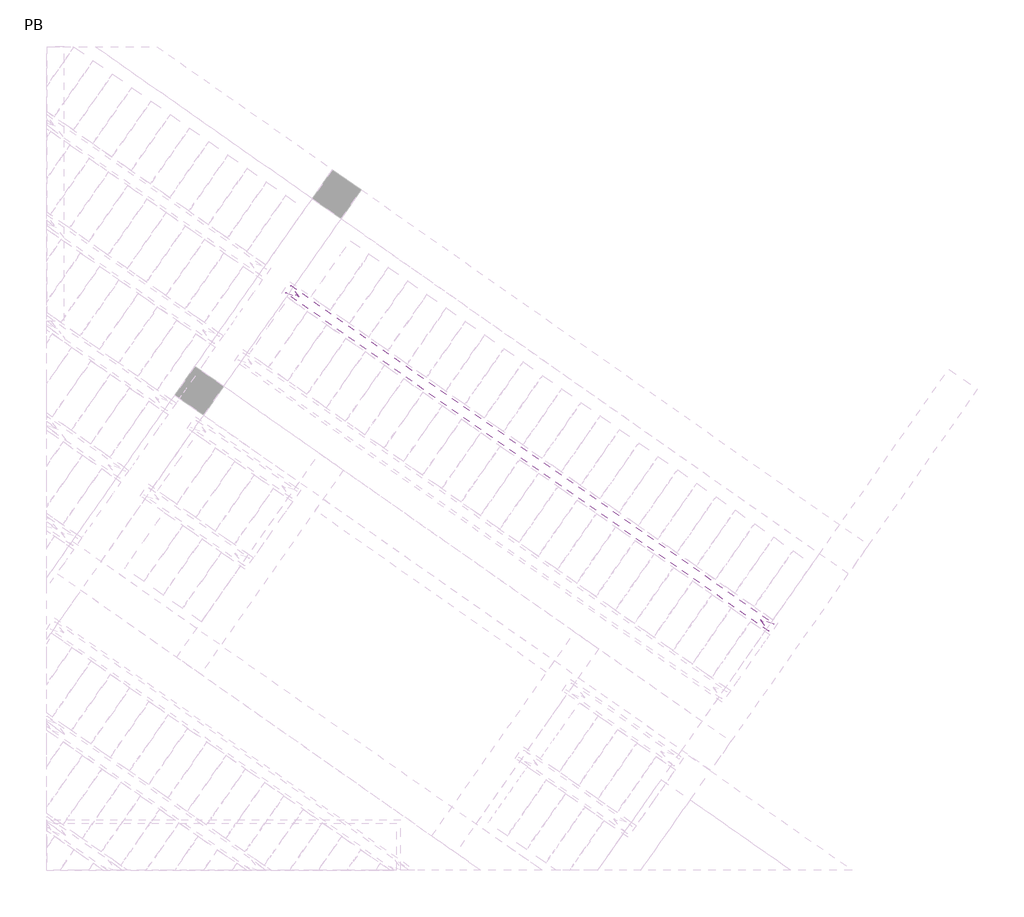
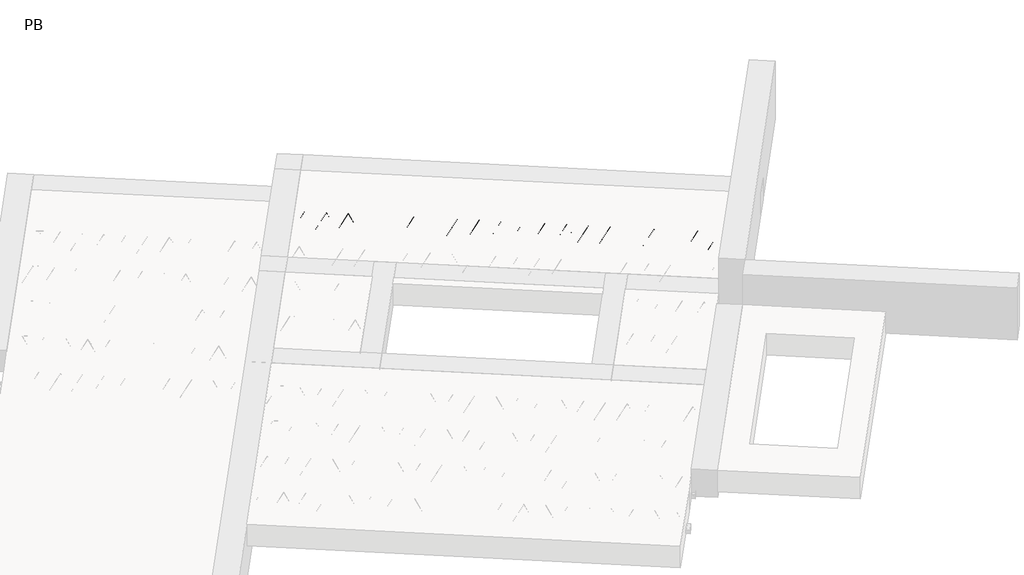
# One storey, part 46 of 56: 2 beams.
"""IFC4 building model written with IfcOpenShell, lengths in millimetres."""

from ifc_helpers import new_model, si_unit, point, frame, origin, origin_2d, place, context, project, spatial, polyline, circle_curve, trimmed, segment, composite_curve, outline, extrude, element, save

model = new_model("IFC4")

# Units and contexts
model_context = context("Model", 3, world=origin())
ifc_project = project(units=[si_unit("LENGTHUNIT", "METRE", prefix="MILLI")], contexts=[model_context])

# Site, building, storey
site = spatial("IfcSite", under=ifc_project)
building = spatial("IfcBuilding", under=site)
storey = spatial("IfcBuildingStorey", under=building, Name="PB", Elevation=95940.0)

# Beams
placement = place(None, origin())
element("IfcBeam", 1, at=placement, inside=storey, context=model_context, shape_type="SweptSolid", body=[
    extrude(outline(polyline([(6531.7713739, 8354.7518462), (6600.6005463, 8453.0500916), (10750.0594894, 5547.5676599), (10681.230317, 5449.2694146), (6531.7713739, 8354.7518462)])), frame((0.0, 0.0, 99220.0), z_axis=(0.0, 0.0, 1.0), x_axis=(1.0, 0.0, 0.0)), (0.0, 0.0, 1.0), 50.0),
])
element("IfcBeam", 2, at=placement, inside=storey, context=model_context, shape_type="SweptSolid", body=[
    extrude(outline(composite_curve([segment(trimmed(circle_curve(origin_2d(), 2.5), [point((-2.4999999, 0.0))], [point((2.5, 0.0))], False, "CARTESIAN"), True, "CONTINUOUS"), segment(trimmed(circle_curve(origin_2d(), 2.5), [point((2.5, 0.0))], [point((-2.4999999, 0.0))], False, "CARTESIAN"), True, "CONTINUOUS")], self_intersect=False)), frame((10675.3365024, 5482.6948981, 99245.0), z_axis=(-0.8191520442696126, 0.5735764363787226, 0.0), x_axis=(0.5735764363787226, 0.8191520442696126, 0.0)), (0.0, 0.0, 1.0), 5017.554035),
    extrude(outline(composite_curve([segment(trimmed(circle_curve(origin_2d(), 2.5), [point((-2.5, 0.0))], [point((2.5, 0.0))], False, "CARTESIAN"), True, "CONTINUOUS"), segment(trimmed(circle_curve(origin_2d(), 2.5), [point((2.5, 0.0))], [point((-2.5, 0.0))], False, "CARTESIAN"), True, "CONTINUOUS")], self_intersect=False)), frame((10627.3591391, 5560.2368948, 99470.0), z_axis=(-0.8191520442696126, 0.5735764363787226, 0.0), x_axis=(0.5735764363787226, 0.8191520442696126, 0.0)), (0.0, 0.0, 1.0), 4850.0),
    extrude(outline(composite_curve([segment(trimmed(circle_curve(origin_2d(), 2.5), [point((-2.5, -1e-07))], [point((2.5, 0.0))], False, "CARTESIAN"), True, "CONTINUOUS"), segment(trimmed(circle_curve(origin_2d(), 2.5), [point((2.5, 0.0))], [point((-2.5, -1e-07))], False, "CARTESIAN"), True, "CONTINUOUS")], self_intersect=False)), frame((10668.1467907, 5487.7291885, 99245.0), z_axis=(-0.3145304735701046, 0.38933448886848654, 0.8657304643902053), x_axis=(0.7778747638402499, 0.6284193279813057, 0.0)), (0.0, 0.0, 1.0), 259.8961331),
    extrude(outline(composite_curve([segment(trimmed(circle_curve(origin_2d(), 2.5), [point((2.5000001, 0.0))], [point((-2.5, 0.0))], False, "CARTESIAN"), True, "CONTINUOUS"), segment(trimmed(circle_curve(origin_2d(), 2.5), [point((-2.5, 0.0))], [point((2.5000001, 0.0))], False, "CARTESIAN"), True, "CONTINUOUS")], self_intersect=False)), frame((10463.3587796, 5631.1232976, 99245.0), z_axis=(0.47343050384693375, -0.16240172737369005, 0.8657304643902051), x_axis=(-0.3244721671091268, -0.9458952440791246, 0.0)), (0.0, 0.0, 1.0), 259.8961331),
    extrude(outline(composite_curve([segment(trimmed(circle_curve(origin_2d(), 2.5), [point((-2.5, -1e-07))], [point((2.5, 0.0))], False, "CARTESIAN"), True, "CONTINUOUS"), segment(trimmed(circle_curve(origin_2d(), 2.5), [point((2.5, 0.0))], [point((-2.5, -1e-07))], False, "CARTESIAN"), True, "CONTINUOUS")], self_intersect=False)), frame((10463.3587796, 5631.1232976, 99245.0), z_axis=(-0.3145304735701046, 0.38933448886848654, 0.8657304643902053), x_axis=(0.7778747638402499, 0.6284193279813057, 0.0)), (0.0, 0.0, 1.0), 259.8961331),
    extrude(outline(composite_curve([segment(trimmed(circle_curve(origin_2d(), 2.5), [point((2.5000001, 0.0))], [point((-2.5, 0.0))], False, "CARTESIAN"), True, "CONTINUOUS"), segment(trimmed(circle_curve(origin_2d(), 2.5), [point((-2.5, 0.0))], [point((2.5000001, 0.0))], False, "CARTESIAN"), True, "CONTINUOUS")], self_intersect=False)), frame((10258.5707686, 5774.5174067, 99245.0), z_axis=(0.47343050384693375, -0.16240172737369005, 0.8657304643902051), x_axis=(-0.3244721671091268, -0.9458952440791246, 0.0)), (0.0, 0.0, 1.0), 259.8961331),
    extrude(outline(composite_curve([segment(trimmed(circle_curve(origin_2d(), 2.5), [point((-2.5, -1e-07))], [point((2.5, 0.0))], False, "CARTESIAN"), True, "CONTINUOUS"), segment(trimmed(circle_curve(origin_2d(), 2.5), [point((2.5, 0.0))], [point((-2.5, -1e-07))], False, "CARTESIAN"), True, "CONTINUOUS")], self_intersect=False)), frame((10258.5707686, 5774.5174067, 99245.0), z_axis=(-0.3145304735701046, 0.38933448886848654, 0.8657304643902053), x_axis=(0.7778747638402499, 0.6284193279813057, 0.0)), (0.0, 0.0, 1.0), 259.8961331),
    extrude(outline(composite_curve([segment(trimmed(circle_curve(origin_2d(), 2.5), [point((2.5, 0.0))], [point((-2.5000001, 0.0))], False, "CARTESIAN"), True, "CONTINUOUS"), segment(trimmed(circle_curve(origin_2d(), 2.5), [point((-2.5000001, 0.0))], [point((2.5, 0.0))], False, "CARTESIAN"), True, "CONTINUOUS")], self_intersect=False)), frame((10053.7827575, 5917.9115157, 99245.0), z_axis=(0.47343050384693375, -0.16240172737369005, 0.8657304643902051), x_axis=(-0.3244721671091268, -0.9458952440791246, 0.0)), (0.0, 0.0, 1.0), 259.8961331),
    extrude(outline(composite_curve([segment(trimmed(circle_curve(origin_2d(), 2.5), [point((-2.5, 0.0))], [point((2.5, 1e-07))], False, "CARTESIAN"), True, "CONTINUOUS"), segment(trimmed(circle_curve(origin_2d(), 2.5), [point((2.5, 1e-07))], [point((-2.5, 0.0))], False, "CARTESIAN"), True, "CONTINUOUS")], self_intersect=False)), frame((10053.7827575, 5917.9115157, 99245.0), z_axis=(-0.3145304735701046, 0.38933448886848654, 0.8657304643902053), x_axis=(0.7778747638402499, 0.6284193279813057, 0.0)), (0.0, 0.0, 1.0), 259.8961331),
    extrude(outline(composite_curve([segment(trimmed(circle_curve(origin_2d(), 2.5), [point((2.5, 0.0))], [point((-2.5000001, 0.0))], False, "CARTESIAN"), True, "CONTINUOUS"), segment(trimmed(circle_curve(origin_2d(), 2.5), [point((-2.5000001, 0.0))], [point((2.5, 0.0))], False, "CARTESIAN"), True, "CONTINUOUS")], self_intersect=False)), frame((9848.9947464, 6061.3056248, 99245.0), z_axis=(0.47343050384693375, -0.16240172737369005, 0.8657304643902051), x_axis=(-0.3244721671091268, -0.9458952440791246, 0.0)), (0.0, 0.0, 1.0), 259.8961331),
    extrude(outline(composite_curve([segment(trimmed(circle_curve(origin_2d(), 2.5), [point((-2.5000001, 1e-07))], [point((2.5, 0.0))], False, "CARTESIAN"), True, "CONTINUOUS"), segment(trimmed(circle_curve(origin_2d(), 2.5), [point((2.5, 0.0))], [point((-2.5000001, 1e-07))], False, "CARTESIAN"), True, "CONTINUOUS")], self_intersect=False)), frame((9848.9947468, 6061.3056246, 99245.0), z_axis=(-0.3145304735701046, 0.38933448886848654, 0.8657304643902053), x_axis=(0.7778747638402499, 0.6284193279813057, 0.0)), (0.0, 0.0, 1.0), 259.8961331),
    extrude(outline(composite_curve([segment(trimmed(circle_curve(origin_2d(), 2.5), [point((2.5, 0.0))], [point((-2.5, 0.0))], False, "CARTESIAN"), True, "CONTINUOUS"), segment(trimmed(circle_curve(origin_2d(), 2.5), [point((-2.5, 0.0))], [point((2.5, 0.0))], False, "CARTESIAN"), True, "CONTINUOUS")], self_intersect=False)), frame((9644.2067357, 6204.6997337, 99245.0), z_axis=(0.47343050384693375, -0.16240172737369005, 0.8657304643902051), x_axis=(-0.3244721671091268, -0.9458952440791246, 0.0)), (0.0, 0.0, 1.0), 259.8961331),
    extrude(outline(composite_curve([segment(trimmed(circle_curve(origin_2d(), 2.5), [point((-2.5, 0.0))], [point((2.5, 0.0))], False, "CARTESIAN"), True, "CONTINUOUS"), segment(trimmed(circle_curve(origin_2d(), 2.5), [point((2.5, 0.0))], [point((-2.5, 0.0))], False, "CARTESIAN"), True, "CONTINUOUS")], self_intersect=False)), frame((9644.2067357, 6204.6997337, 99245.0), z_axis=(-0.3145304735701046, 0.38933448886848654, 0.8657304643902053), x_axis=(0.7778747638402499, 0.6284193279813057, 0.0)), (0.0, 0.0, 1.0), 259.8961331),
    extrude(outline(composite_curve([segment(trimmed(circle_curve(origin_2d(), 2.5), [point((2.5, 0.0))], [point((-2.5, 0.0))], False, "CARTESIAN"), True, "CONTINUOUS"), segment(trimmed(circle_curve(origin_2d(), 2.5), [point((-2.5, 0.0))], [point((2.5, 0.0))], False, "CARTESIAN"), True, "CONTINUOUS")], self_intersect=False)), frame((9439.4187246, 6348.0938428, 99245.0), z_axis=(0.47343050384693375, -0.16240172737369005, 0.8657304643902051), x_axis=(-0.3244721671091268, -0.9458952440791246, 0.0)), (0.0, 0.0, 1.0), 259.8961331),
    extrude(outline(composite_curve([segment(trimmed(circle_curve(origin_2d(), 2.5), [point((-2.5, 0.0))], [point((2.5, 0.0))], False, "CARTESIAN"), True, "CONTINUOUS"), segment(trimmed(circle_curve(origin_2d(), 2.5), [point((2.5, 0.0))], [point((-2.5, 0.0))], False, "CARTESIAN"), True, "CONTINUOUS")], self_intersect=False)), frame((9439.4187246, 6348.0938428, 99245.0), z_axis=(-0.3145304735701046, 0.38933448886848654, 0.8657304643902053), x_axis=(0.7778747638402499, 0.6284193279813057, 0.0)), (0.0, 0.0, 1.0), 259.8961331),
    extrude(outline(composite_curve([segment(trimmed(circle_curve(origin_2d(), 2.5), [point((2.5, -1e-07))], [point((-2.5, 0.0))], False, "CARTESIAN"), True, "CONTINUOUS"), segment(trimmed(circle_curve(origin_2d(), 2.5), [point((-2.5, 0.0))], [point((2.5, -1e-07))], False, "CARTESIAN"), True, "CONTINUOUS")], self_intersect=False)), frame((9234.6307136, 6491.4879519, 99245.0), z_axis=(0.47343050384693375, -0.16240172737369005, 0.8657304643902051), x_axis=(-0.3244721671091268, -0.9458952440791246, 0.0)), (0.0, 0.0, 1.0), 259.8961331),
    extrude(outline(composite_curve([segment(trimmed(circle_curve(origin_2d(), 2.5), [point((-2.5000001, 1e-07))], [point((2.5, 0.0))], False, "CARTESIAN"), True, "CONTINUOUS"), segment(trimmed(circle_curve(origin_2d(), 2.5), [point((2.5, 0.0))], [point((-2.5000001, 1e-07))], False, "CARTESIAN"), True, "CONTINUOUS")], self_intersect=False)), frame((9234.6307136, 6491.4879519, 99245.0), z_axis=(-0.3145304735701046, 0.38933448886848654, 0.8657304643902053), x_axis=(0.7778747638402499, 0.6284193279813057, 0.0)), (0.0, 0.0, 1.0), 259.8961331),
    extrude(outline(composite_curve([segment(trimmed(circle_curve(origin_2d(), 2.5), [point((2.5, 0.0))], [point((-2.5, 0.0))], False, "CARTESIAN"), True, "CONTINUOUS"), segment(trimmed(circle_curve(origin_2d(), 2.5), [point((-2.5, 0.0))], [point((2.5, 0.0))], False, "CARTESIAN"), True, "CONTINUOUS")], self_intersect=False)), frame((9029.8427025, 6634.882061, 99245.0), z_axis=(0.47343050384693375, -0.16240172737369005, 0.8657304643902051), x_axis=(-0.3244721671091268, -0.9458952440791246, 0.0)), (0.0, 0.0, 1.0), 259.8961331),
    extrude(outline(composite_curve([segment(trimmed(circle_curve(origin_2d(), 2.5), [point((-2.5, 0.0))], [point((2.5, 0.0))], False, "CARTESIAN"), True, "CONTINUOUS"), segment(trimmed(circle_curve(origin_2d(), 2.5), [point((2.5, 0.0))], [point((-2.5, 0.0))], False, "CARTESIAN"), True, "CONTINUOUS")], self_intersect=False)), frame((9029.8427025, 6634.882061, 99245.0), z_axis=(-0.3145304735701046, 0.38933448886848654, 0.8657304643902053), x_axis=(0.7778747638402499, 0.6284193279813057, 0.0)), (0.0, 0.0, 1.0), 259.8961331),
    extrude(outline(composite_curve([segment(trimmed(circle_curve(origin_2d(), 2.5), [point((2.5, 0.0))], [point((-2.5, 0.0))], False, "CARTESIAN"), True, "CONTINUOUS"), segment(trimmed(circle_curve(origin_2d(), 2.5), [point((-2.5, 0.0))], [point((2.5, 0.0))], False, "CARTESIAN"), True, "CONTINUOUS")], self_intersect=False)), frame((8825.0546914, 6778.2761701, 99245.0), z_axis=(0.47343050384693375, -0.16240172737369005, 0.8657304643902051), x_axis=(-0.3244721671091268, -0.9458952440791246, 0.0)), (0.0, 0.0, 1.0), 259.8961331),
    extrude(outline(composite_curve([segment(trimmed(circle_curve(origin_2d(), 2.5), [point((-2.5, 0.0))], [point((2.5, 0.0))], False, "CARTESIAN"), True, "CONTINUOUS"), segment(trimmed(circle_curve(origin_2d(), 2.5), [point((2.5, 0.0))], [point((-2.5, 0.0))], False, "CARTESIAN"), True, "CONTINUOUS")], self_intersect=False)), frame((8825.0546914, 6778.2761701, 99245.0), z_axis=(-0.3145304735701046, 0.38933448886848654, 0.8657304643902053), x_axis=(0.7778747638402499, 0.6284193279813057, 0.0)), (0.0, 0.0, 1.0), 259.8961331),
    extrude(outline(composite_curve([segment(trimmed(circle_curve(origin_2d(), 2.5), [point((2.5, -1e-07))], [point((-2.5, 0.0))], False, "CARTESIAN"), True, "CONTINUOUS"), segment(trimmed(circle_curve(origin_2d(), 2.5), [point((-2.5, 0.0))], [point((2.5, -1e-07))], False, "CARTESIAN"), True, "CONTINUOUS")], self_intersect=False)), frame((8620.2666804, 6921.6702792, 99245.0), z_axis=(0.47343050384693375, -0.16240172737369005, 0.8657304643902051), x_axis=(-0.3244721671091268, -0.9458952440791246, 0.0)), (0.0, 0.0, 1.0), 259.8961331),
    extrude(outline(composite_curve([segment(trimmed(circle_curve(origin_2d(), 2.5), [point((-2.5000001, 1e-07))], [point((2.5, 0.0))], False, "CARTESIAN"), True, "CONTINUOUS"), segment(trimmed(circle_curve(origin_2d(), 2.5), [point((2.5, 0.0))], [point((-2.5000001, 1e-07))], False, "CARTESIAN"), True, "CONTINUOUS")], self_intersect=False)), frame((8620.2666804, 6921.6702792, 99245.0), z_axis=(-0.3145304735701046, 0.38933448886848654, 0.8657304643902053), x_axis=(0.7778747638402499, 0.6284193279813057, 0.0)), (0.0, 0.0, 1.0), 259.8961331),
    extrude(outline(composite_curve([segment(trimmed(circle_curve(origin_2d(), 2.5), [point((2.5, 0.0))], [point((-2.5, 0.0))], False, "CARTESIAN"), True, "CONTINUOUS"), segment(trimmed(circle_curve(origin_2d(), 2.5), [point((-2.5, 0.0))], [point((2.5, 0.0))], False, "CARTESIAN"), True, "CONTINUOUS")], self_intersect=False)), frame((8415.4786693, 7065.0643883, 99245.0), z_axis=(0.47343050384693375, -0.16240172737369005, 0.8657304643902051), x_axis=(-0.3244721671091268, -0.9458952440791246, 0.0)), (0.0, 0.0, 1.0), 259.8961331),
    extrude(outline(composite_curve([segment(trimmed(circle_curve(origin_2d(), 2.5), [point((-2.5, 0.0))], [point((2.5, 0.0))], False, "CARTESIAN"), True, "CONTINUOUS"), segment(trimmed(circle_curve(origin_2d(), 2.5), [point((2.5, 0.0))], [point((-2.5, 0.0))], False, "CARTESIAN"), True, "CONTINUOUS")], self_intersect=False)), frame((8415.4786693, 7065.0643883, 99245.0), z_axis=(-0.3145304735701046, 0.38933448886848654, 0.8657304643902053), x_axis=(0.7778747638402499, 0.6284193279813057, 0.0)), (0.0, 0.0, 1.0), 259.8961331),
    extrude(outline(composite_curve([segment(trimmed(circle_curve(origin_2d(), 2.5), [point((2.5, 0.0))], [point((-2.5, 0.0))], False, "CARTESIAN"), True, "CONTINUOUS"), segment(trimmed(circle_curve(origin_2d(), 2.5), [point((-2.5, 0.0))], [point((2.5, 0.0))], False, "CARTESIAN"), True, "CONTINUOUS")], self_intersect=False)), frame((8210.6906582, 7208.4584974, 99245.0), z_axis=(0.47343050384693375, -0.16240172737369005, 0.8657304643902051), x_axis=(-0.3244721671091268, -0.9458952440791246, 0.0)), (0.0, 0.0, 1.0), 259.8961331),
    extrude(outline(composite_curve([segment(trimmed(circle_curve(origin_2d(), 2.5), [point((-2.5, 0.0))], [point((2.5, 0.0))], False, "CARTESIAN"), True, "CONTINUOUS"), segment(trimmed(circle_curve(origin_2d(), 2.5), [point((2.5, 0.0))], [point((-2.5, 0.0))], False, "CARTESIAN"), True, "CONTINUOUS")], self_intersect=False)), frame((8210.6906582, 7208.4584974, 99245.0), z_axis=(-0.3145304735701046, 0.38933448886848654, 0.8657304643902053), x_axis=(0.7778747638402499, 0.6284193279813057, 0.0)), (0.0, 0.0, 1.0), 259.8961331),
    extrude(outline(composite_curve([segment(trimmed(circle_curve(origin_2d(), 2.5), [point((2.5, -1e-07))], [point((-2.5, 0.0))], False, "CARTESIAN"), True, "CONTINUOUS"), segment(trimmed(circle_curve(origin_2d(), 2.5), [point((-2.5, 0.0))], [point((2.5, -1e-07))], False, "CARTESIAN"), True, "CONTINUOUS")], self_intersect=False)), frame((8005.9026472, 7351.8526065, 99245.0), z_axis=(0.47343050384693375, -0.16240172737369005, 0.8657304643902051), x_axis=(-0.3244721671091268, -0.9458952440791246, 0.0)), (0.0, 0.0, 1.0), 259.8961331),
    extrude(outline(composite_curve([segment(trimmed(circle_curve(origin_2d(), 2.5), [point((-2.5, -1e-07))], [point((2.5000001, -1e-07))], False, "CARTESIAN"), True, "CONTINUOUS"), segment(trimmed(circle_curve(origin_2d(), 2.5), [point((2.5000001, -1e-07))], [point((-2.5, -1e-07))], False, "CARTESIAN"), True, "CONTINUOUS")], self_intersect=False)), frame((8005.9026471, 7351.8526065, 99245.0), z_axis=(-0.3145304735701046, 0.38933448886848654, 0.8657304643902053), x_axis=(0.7778747638402499, 0.6284193279813057, 0.0)), (0.0, 0.0, 1.0), 259.8961331),
    extrude(outline(composite_curve([segment(trimmed(circle_curve(origin_2d(), 2.5), [point((2.5, 0.0))], [point((-2.5, 0.0))], False, "CARTESIAN"), True, "CONTINUOUS"), segment(trimmed(circle_curve(origin_2d(), 2.5), [point((-2.5, 0.0))], [point((2.5, 0.0))], False, "CARTESIAN"), True, "CONTINUOUS")], self_intersect=False)), frame((7801.1146361, 7495.2467156, 99245.0), z_axis=(0.47343050384693375, -0.16240172737369005, 0.8657304643902051), x_axis=(-0.3244721671091268, -0.9458952440791246, 0.0)), (0.0, 0.0, 1.0), 259.8961331),
    extrude(outline(composite_curve([segment(trimmed(circle_curve(origin_2d(), 2.5), [point((-2.5, -1e-07))], [point((2.5, 0.0))], False, "CARTESIAN"), True, "CONTINUOUS"), segment(trimmed(circle_curve(origin_2d(), 2.5), [point((2.5, 0.0))], [point((-2.5, -1e-07))], False, "CARTESIAN"), True, "CONTINUOUS")], self_intersect=False)), frame((7801.1146361, 7495.2467156, 99245.0), z_axis=(-0.3145304735701046, 0.38933448886848654, 0.8657304643902053), x_axis=(0.7778747638402499, 0.6284193279813057, 0.0)), (0.0, 0.0, 1.0), 259.8961331),
    extrude(outline(composite_curve([segment(trimmed(circle_curve(origin_2d(), 2.5), [point((2.5000001, 0.0))], [point((-2.5, 0.0))], False, "CARTESIAN"), True, "CONTINUOUS"), segment(trimmed(circle_curve(origin_2d(), 2.5), [point((-2.5, 0.0))], [point((2.5000001, 0.0))], False, "CARTESIAN"), True, "CONTINUOUS")], self_intersect=False)), frame((7596.326625, 7638.6408247, 99245.0), z_axis=(0.47343050384693375, -0.16240172737369005, 0.8657304643902051), x_axis=(-0.3244721671091268, -0.9458952440791246, 0.0)), (0.0, 0.0, 1.0), 259.8961331),
    extrude(outline(composite_curve([segment(trimmed(circle_curve(origin_2d(), 2.5), [point((-2.5, -1e-07))], [point((2.5, 0.0))], False, "CARTESIAN"), True, "CONTINUOUS"), segment(trimmed(circle_curve(origin_2d(), 2.5), [point((2.5, 0.0))], [point((-2.5, -1e-07))], False, "CARTESIAN"), True, "CONTINUOUS")], self_intersect=False)), frame((7596.326625, 7638.6408247, 99245.0), z_axis=(-0.3145304735701046, 0.38933448886848654, 0.8657304643902053), x_axis=(0.7778747638402499, 0.6284193279813057, 0.0)), (0.0, 0.0, 1.0), 259.8961331),
    extrude(outline(composite_curve([segment(trimmed(circle_curve(origin_2d(), 2.5), [point((2.5000001, 0.0))], [point((-2.5, 1e-07))], False, "CARTESIAN"), True, "CONTINUOUS"), segment(trimmed(circle_curve(origin_2d(), 2.5), [point((-2.5, 1e-07))], [point((2.5000001, 0.0))], False, "CARTESIAN"), True, "CONTINUOUS")], self_intersect=False)), frame((7391.5386139, 7782.0349338, 99245.0), z_axis=(0.47343050384693375, -0.16240172737369005, 0.8657304643902051), x_axis=(-0.3244721671091268, -0.9458952440791246, 0.0)), (0.0, 0.0, 1.0), 259.8961331),
    extrude(outline(composite_curve([segment(trimmed(circle_curve(origin_2d(), 2.5), [point((-2.5, -1e-07))], [point((2.5000001, -1e-07))], False, "CARTESIAN"), True, "CONTINUOUS"), segment(trimmed(circle_curve(origin_2d(), 2.5), [point((2.5000001, -1e-07))], [point((-2.5, -1e-07))], False, "CARTESIAN"), True, "CONTINUOUS")], self_intersect=False)), frame((7391.5386139, 7782.0349338, 99245.0), z_axis=(-0.3145304735701046, 0.38933448886848654, 0.8657304643902053), x_axis=(0.7778747638402499, 0.6284193279813057, 0.0)), (0.0, 0.0, 1.0), 259.8961331),
    extrude(outline(composite_curve([segment(trimmed(circle_curve(origin_2d(), 2.5), [point((2.5, 0.0))], [point((-2.5000001, 0.0))], False, "CARTESIAN"), True, "CONTINUOUS"), segment(trimmed(circle_curve(origin_2d(), 2.5), [point((-2.5000001, 0.0))], [point((2.5, 0.0))], False, "CARTESIAN"), True, "CONTINUOUS")], self_intersect=False)), frame((7186.7506029, 7925.4290428, 99245.0), z_axis=(0.47343050384693375, -0.16240172737369005, 0.8657304643902051), x_axis=(-0.3244721671091268, -0.9458952440791246, 0.0)), (0.0, 0.0, 1.0), 259.8961331),
    extrude(outline(composite_curve([segment(trimmed(circle_curve(origin_2d(), 2.5), [point((-2.5, 0.0))], [point((2.5, 1e-07))], False, "CARTESIAN"), True, "CONTINUOUS"), segment(trimmed(circle_curve(origin_2d(), 2.5), [point((2.5, 1e-07))], [point((-2.5, 0.0))], False, "CARTESIAN"), True, "CONTINUOUS")], self_intersect=False)), frame((7186.7506029, 7925.4290428, 99245.0), z_axis=(-0.3145304735701046, 0.38933448886848654, 0.8657304643902053), x_axis=(0.7778747638402499, 0.6284193279813057, 0.0)), (0.0, 0.0, 1.0), 259.8961331),
    extrude(outline(composite_curve([segment(trimmed(circle_curve(origin_2d(), 2.5), [point((2.5, 0.0))], [point((-2.5000001, 0.0))], False, "CARTESIAN"), True, "CONTINUOUS"), segment(trimmed(circle_curve(origin_2d(), 2.5), [point((-2.5000001, 0.0))], [point((2.5, 0.0))], False, "CARTESIAN"), True, "CONTINUOUS")], self_intersect=False)), frame((6981.9625918, 8068.8231519, 99245.0), z_axis=(0.47343050384693375, -0.16240172737369005, 0.8657304643902051), x_axis=(-0.3244721671091268, -0.9458952440791246, 0.0)), (0.0, 0.0, 1.0), 259.8961331),
    extrude(outline(composite_curve([segment(trimmed(circle_curve(origin_2d(), 2.5), [point((-2.5, 0.0))], [point((2.5, 1e-07))], False, "CARTESIAN"), True, "CONTINUOUS"), segment(trimmed(circle_curve(origin_2d(), 2.5), [point((2.5, 1e-07))], [point((-2.5, 0.0))], False, "CARTESIAN"), True, "CONTINUOUS")], self_intersect=False)), frame((6981.9625918, 8068.8231519, 99245.0), z_axis=(-0.3145304735701046, 0.38933448886848654, 0.8657304643902053), x_axis=(0.7778747638402499, 0.6284193279813057, 0.0)), (0.0, 0.0, 1.0), 259.8961331),
    extrude(outline(composite_curve([segment(trimmed(circle_curve(origin_2d(), 2.5), [point((2.5, 0.0))], [point((-2.5, 1e-07))], False, "CARTESIAN"), True, "CONTINUOUS"), segment(trimmed(circle_curve(origin_2d(), 2.5), [point((-2.5, 1e-07))], [point((2.5, 0.0))], False, "CARTESIAN"), True, "CONTINUOUS")], self_intersect=False)), frame((6777.1745807, 8212.217261, 99245.0), z_axis=(0.47343050384693375, -0.16240172737369005, 0.8657304643902051), x_axis=(-0.3244721671091268, -0.9458952440791246, 0.0)), (0.0, 0.0, 1.0), 259.8961331),
    extrude(outline(composite_curve([segment(trimmed(circle_curve(origin_2d(), 2.5), [point((-2.5, 0.0))], [point((2.5000001, 0.0))], False, "CARTESIAN"), True, "CONTINUOUS"), segment(trimmed(circle_curve(origin_2d(), 2.5), [point((2.5000001, 0.0))], [point((-2.5, 0.0))], False, "CARTESIAN"), True, "CONTINUOUS")], self_intersect=False)), frame((6777.1745807, 8212.217261, 99245.0), z_axis=(-0.3145304735701046, 0.38933448886848654, 0.8657304643902053), x_axis=(0.7778747638402499, 0.6284193279813057, 0.0)), (0.0, 0.0, 1.0), 259.8961331),
    extrude(outline(composite_curve([segment(trimmed(circle_curve(origin_2d(), 2.5), [point((2.5, 0.0))], [point((-2.5, 0.0))], False, "CARTESIAN"), True, "CONTINUOUS"), segment(trimmed(circle_curve(origin_2d(), 2.5), [point((-2.5, 0.0))], [point((2.5, 0.0))], False, "CARTESIAN"), True, "CONTINUOUS")], self_intersect=False)), frame((6572.3865697, 8355.6113701, 99245.0), z_axis=(0.47343050384693375, -0.16240172737369005, 0.8657304643902051), x_axis=(-0.3244721671091268, -0.9458952440791246, 0.0)), (0.0, 0.0, 1.0), 259.8961331),
    extrude(outline(composite_curve([segment(trimmed(circle_curve(origin_2d(), 2.5), [point((-2.5, 0.0))], [point((2.5, 0.0))], False, "CARTESIAN"), True, "CONTINUOUS"), segment(trimmed(circle_curve(origin_2d(), 2.5), [point((2.5, 0.0))], [point((-2.5, 0.0))], False, "CARTESIAN"), True, "CONTINUOUS")], self_intersect=False)), frame((10716.6340059, 5541.6738453, 99245.0), z_axis=(-0.8191520442696126, 0.5735764363787226, 0.0), x_axis=(0.5735764363787226, 0.8191520442696126, 0.0)), (0.0, 0.0, 1.0), 5017.554035),
    extrude(outline(composite_curve([segment(trimmed(circle_curve(origin_2d(), 2.5), [point((-2.5, 0.0))], [point((2.5000001, 0.0))], False, "CARTESIAN"), True, "CONTINUOUS"), segment(trimmed(circle_curve(origin_2d(), 2.5), [point((2.5000001, 0.0))], [point((-2.5, 0.0))], False, "CARTESIAN"), True, "CONTINUOUS")], self_intersect=False)), frame((10709.4442941, 5546.7081356, 99245.0), z_axis=(-0.47343050384693375, 0.16240172737369005, 0.8657304643902051), x_axis=(0.3244721671091268, 0.9458952440791246, 0.0)), (0.0, 0.0, 1.0), 259.8961331),
    extrude(outline(composite_curve([segment(trimmed(circle_curve(origin_2d(), 2.5), [point((2.5, 0.0))], [point((-2.5000001, 0.0))], False, "CARTESIAN"), True, "CONTINUOUS"), segment(trimmed(circle_curve(origin_2d(), 2.5), [point((-2.5000001, 0.0))], [point((2.5, 0.0))], False, "CARTESIAN"), True, "CONTINUOUS")], self_intersect=False)), frame((10504.656283, 5690.1022447, 99245.0), z_axis=(0.3145304735701046, -0.38933448886848654, 0.8657304643902053), x_axis=(-0.7778747638402499, -0.6284193279813057, 0.0)), (0.0, 0.0, 1.0), 259.8961331),
    extrude(outline(composite_curve([segment(trimmed(circle_curve(origin_2d(), 2.5), [point((-2.5, 0.0))], [point((2.5000001, 0.0))], False, "CARTESIAN"), True, "CONTINUOUS"), segment(trimmed(circle_curve(origin_2d(), 2.5), [point((2.5000001, 0.0))], [point((-2.5, 0.0))], False, "CARTESIAN"), True, "CONTINUOUS")], self_intersect=False)), frame((10504.656283, 5690.1022447, 99245.0), z_axis=(-0.47343050384693375, 0.16240172737369005, 0.8657304643902051), x_axis=(0.3244721671091268, 0.9458952440791246, 0.0)), (0.0, 0.0, 1.0), 259.8961331),
    extrude(outline(composite_curve([segment(trimmed(circle_curve(origin_2d(), 2.5), [point((2.5, 0.0))], [point((-2.5, -1e-07))], False, "CARTESIAN"), True, "CONTINUOUS"), segment(trimmed(circle_curve(origin_2d(), 2.5), [point((-2.5, -1e-07))], [point((2.5, 0.0))], False, "CARTESIAN"), True, "CONTINUOUS")], self_intersect=False)), frame((10299.868272, 5833.4963538, 99245.0), z_axis=(0.3145304735701046, -0.38933448886848654, 0.8657304643902053), x_axis=(-0.7778747638402499, -0.6284193279813057, 0.0)), (0.0, 0.0, 1.0), 259.8961331),
    extrude(outline(composite_curve([segment(trimmed(circle_curve(origin_2d(), 2.5), [point((-2.5, 0.0))], [point((2.5000001, 0.0))], False, "CARTESIAN"), True, "CONTINUOUS"), segment(trimmed(circle_curve(origin_2d(), 2.5), [point((2.5000001, 0.0))], [point((-2.5, 0.0))], False, "CARTESIAN"), True, "CONTINUOUS")], self_intersect=False)), frame((10299.868272, 5833.4963538, 99245.0), z_axis=(-0.47343050384693375, 0.16240172737369005, 0.8657304643902051), x_axis=(0.3244721671091268, 0.9458952440791246, 0.0)), (0.0, 0.0, 1.0), 259.8961331),
    extrude(outline(composite_curve([segment(trimmed(circle_curve(origin_2d(), 2.5), [point((2.5, 0.0))], [point((-2.5, -1e-07))], False, "CARTESIAN"), True, "CONTINUOUS"), segment(trimmed(circle_curve(origin_2d(), 2.5), [point((-2.5, -1e-07))], [point((2.5, 0.0))], False, "CARTESIAN"), True, "CONTINUOUS")], self_intersect=False)), frame((10095.0802609, 5976.8904629, 99245.0), z_axis=(0.3145304735701046, -0.38933448886848654, 0.8657304643902053), x_axis=(-0.7778747638402499, -0.6284193279813057, 0.0)), (0.0, 0.0, 1.0), 259.8961331),
    extrude(outline(composite_curve([segment(trimmed(circle_curve(origin_2d(), 2.5), [point((-2.5, 0.0))], [point((2.5, 0.0))], False, "CARTESIAN"), True, "CONTINUOUS"), segment(trimmed(circle_curve(origin_2d(), 2.5), [point((2.5, 0.0))], [point((-2.5, 0.0))], False, "CARTESIAN"), True, "CONTINUOUS")], self_intersect=False)), frame((10095.0802609, 5976.8904629, 99245.0), z_axis=(-0.47343050384693375, 0.16240172737369005, 0.8657304643902051), x_axis=(0.3244721671091268, 0.9458952440791246, 0.0)), (0.0, 0.0, 1.0), 259.8961331),
    extrude(outline(composite_curve([segment(trimmed(circle_curve(origin_2d(), 2.5), [point((2.5, 0.0))], [point((-2.5000001, 0.0))], False, "CARTESIAN"), True, "CONTINUOUS"), segment(trimmed(circle_curve(origin_2d(), 2.5), [point((-2.5000001, 0.0))], [point((2.5, 0.0))], False, "CARTESIAN"), True, "CONTINUOUS")], self_intersect=False)), frame((9890.2922498, 6120.284572, 99245.0), z_axis=(0.3145304735701046, -0.38933448886848654, 0.8657304643902053), x_axis=(-0.7778747638402499, -0.6284193279813057, 0.0)), (0.0, 0.0, 1.0), 259.8961331),
    extrude(outline(composite_curve([segment(trimmed(circle_curve(origin_2d(), 2.5), [point((-2.5, 0.0))], [point((2.5, 0.0))], False, "CARTESIAN"), True, "CONTINUOUS"), segment(trimmed(circle_curve(origin_2d(), 2.5), [point((2.5, 0.0))], [point((-2.5, 0.0))], False, "CARTESIAN"), True, "CONTINUOUS")], self_intersect=False)), frame((9890.2922502, 6120.2845718, 99245.0), z_axis=(-0.47343050384693375, 0.16240172737369005, 0.8657304643902051), x_axis=(0.3244721671091268, 0.9458952440791246, 0.0)), (0.0, 0.0, 1.0), 259.8961331),
    extrude(outline(composite_curve([segment(trimmed(circle_curve(origin_2d(), 2.5), [point((2.5, 0.0))], [point((-2.5, 0.0))], False, "CARTESIAN"), True, "CONTINUOUS"), segment(trimmed(circle_curve(origin_2d(), 2.5), [point((-2.5, 0.0))], [point((2.5, 0.0))], False, "CARTESIAN"), True, "CONTINUOUS")], self_intersect=False)), frame((9685.5042391, 6263.6786809, 99245.0), z_axis=(0.3145304735701046, -0.38933448886848654, 0.8657304643902053), x_axis=(-0.7778747638402499, -0.6284193279813057, 0.0)), (0.0, 0.0, 1.0), 259.8961331),
    extrude(outline(composite_curve([segment(trimmed(circle_curve(origin_2d(), 2.5), [point((-2.5, 0.0))], [point((2.5, 0.0))], False, "CARTESIAN"), True, "CONTINUOUS"), segment(trimmed(circle_curve(origin_2d(), 2.5), [point((2.5, 0.0))], [point((-2.5, 0.0))], False, "CARTESIAN"), True, "CONTINUOUS")], self_intersect=False)), frame((9685.5042391, 6263.6786809, 99245.0), z_axis=(-0.47343050384693375, 0.16240172737369005, 0.8657304643902051), x_axis=(0.3244721671091268, 0.9458952440791246, 0.0)), (0.0, 0.0, 1.0), 259.8961331),
    extrude(outline(composite_curve([segment(trimmed(circle_curve(origin_2d(), 2.5), [point((2.5, 0.0))], [point((-2.5000001, 1e-07))], False, "CARTESIAN"), True, "CONTINUOUS"), segment(trimmed(circle_curve(origin_2d(), 2.5), [point((-2.5000001, 1e-07))], [point((2.5, 0.0))], False, "CARTESIAN"), True, "CONTINUOUS")], self_intersect=False)), frame((9480.716228, 6407.07279, 99245.0), z_axis=(0.3145304735701046, -0.38933448886848654, 0.8657304643902053), x_axis=(-0.7778747638402499, -0.6284193279813057, 0.0)), (0.0, 0.0, 1.0), 259.8961331),
    extrude(outline(composite_curve([segment(trimmed(circle_curve(origin_2d(), 2.5), [point((-2.5, 0.0))], [point((2.5, -1e-07))], False, "CARTESIAN"), True, "CONTINUOUS"), segment(trimmed(circle_curve(origin_2d(), 2.5), [point((2.5, -1e-07))], [point((-2.5, 0.0))], False, "CARTESIAN"), True, "CONTINUOUS")], self_intersect=False)), frame((9480.716228, 6407.07279, 99245.0), z_axis=(-0.47343050384693375, 0.16240172737369005, 0.8657304643902051), x_axis=(0.3244721671091268, 0.9458952440791246, 0.0)), (0.0, 0.0, 1.0), 259.8961331),
    extrude(outline(composite_curve([segment(trimmed(circle_curve(origin_2d(), 2.5), [point((2.5, 0.0))], [point((-2.5, 0.0))], False, "CARTESIAN"), True, "CONTINUOUS"), segment(trimmed(circle_curve(origin_2d(), 2.5), [point((-2.5, 0.0))], [point((2.5, 0.0))], False, "CARTESIAN"), True, "CONTINUOUS")], self_intersect=False)), frame((9275.928217, 6550.4668991, 99245.0), z_axis=(0.3145304735701046, -0.38933448886848654, 0.8657304643902053), x_axis=(-0.7778747638402499, -0.6284193279813057, 0.0)), (0.0, 0.0, 1.0), 259.8961331),
    extrude(outline(composite_curve([segment(trimmed(circle_curve(origin_2d(), 2.5), [point((-2.5, 0.0))], [point((2.5, 0.0))], False, "CARTESIAN"), True, "CONTINUOUS"), segment(trimmed(circle_curve(origin_2d(), 2.5), [point((2.5, 0.0))], [point((-2.5, 0.0))], False, "CARTESIAN"), True, "CONTINUOUS")], self_intersect=False)), frame((9275.928217, 6550.4668991, 99245.0), z_axis=(-0.47343050384693375, 0.16240172737369005, 0.8657304643902051), x_axis=(0.3244721671091268, 0.9458952440791246, 0.0)), (0.0, 0.0, 1.0), 259.8961331),
    extrude(outline(composite_curve([segment(trimmed(circle_curve(origin_2d(), 2.5), [point((2.5, 0.0))], [point((-2.5, 0.0))], False, "CARTESIAN"), True, "CONTINUOUS"), segment(trimmed(circle_curve(origin_2d(), 2.5), [point((-2.5, 0.0))], [point((2.5, 0.0))], False, "CARTESIAN"), True, "CONTINUOUS")], self_intersect=False)), frame((9071.1402059, 6693.8610082, 99245.0), z_axis=(0.3145304735701046, -0.38933448886848654, 0.8657304643902053), x_axis=(-0.7778747638402499, -0.6284193279813057, 0.0)), (0.0, 0.0, 1.0), 259.8961331),
    extrude(outline(composite_curve([segment(trimmed(circle_curve(origin_2d(), 2.5), [point((-2.5, 0.0))], [point((2.5, 0.0))], False, "CARTESIAN"), True, "CONTINUOUS"), segment(trimmed(circle_curve(origin_2d(), 2.5), [point((2.5, 0.0))], [point((-2.5, 0.0))], False, "CARTESIAN"), True, "CONTINUOUS")], self_intersect=False)), frame((9071.1402059, 6693.8610082, 99245.0), z_axis=(-0.47343050384693375, 0.16240172737369005, 0.8657304643902051), x_axis=(0.3244721671091268, 0.9458952440791246, 0.0)), (0.0, 0.0, 1.0), 259.8961331),
    extrude(outline(composite_curve([segment(trimmed(circle_curve(origin_2d(), 2.5), [point((2.5, 0.0))], [point((-2.5, 0.0))], False, "CARTESIAN"), True, "CONTINUOUS"), segment(trimmed(circle_curve(origin_2d(), 2.5), [point((-2.5, 0.0))], [point((2.5, 0.0))], False, "CARTESIAN"), True, "CONTINUOUS")], self_intersect=False)), frame((8866.3521948, 6837.2551173, 99245.0), z_axis=(0.3145304735701046, -0.38933448886848654, 0.8657304643902053), x_axis=(-0.7778747638402499, -0.6284193279813057, 0.0)), (0.0, 0.0, 1.0), 259.8961331),
    extrude(outline(composite_curve([segment(trimmed(circle_curve(origin_2d(), 2.5), [point((-2.5, 0.0))], [point((2.5, -1e-07))], False, "CARTESIAN"), True, "CONTINUOUS"), segment(trimmed(circle_curve(origin_2d(), 2.5), [point((2.5, -1e-07))], [point((-2.5, 0.0))], False, "CARTESIAN"), True, "CONTINUOUS")], self_intersect=False)), frame((8866.3521948, 6837.2551173, 99245.0), z_axis=(-0.47343050384693375, 0.16240172737369005, 0.8657304643902051), x_axis=(0.3244721671091268, 0.9458952440791246, 0.0)), (0.0, 0.0, 1.0), 259.8961331),
    extrude(outline(composite_curve([segment(trimmed(circle_curve(origin_2d(), 2.5), [point((2.5, 1e-07))], [point((-2.5, 0.0))], False, "CARTESIAN"), True, "CONTINUOUS"), segment(trimmed(circle_curve(origin_2d(), 2.5), [point((-2.5, 0.0))], [point((2.5, 1e-07))], False, "CARTESIAN"), True, "CONTINUOUS")], self_intersect=False)), frame((8661.5641838, 6980.6492264, 99245.0), z_axis=(0.3145304735701046, -0.38933448886848654, 0.8657304643902053), x_axis=(-0.7778747638402499, -0.6284193279813057, 0.0)), (0.0, 0.0, 1.0), 259.8961331),
    extrude(outline(composite_curve([segment(trimmed(circle_curve(origin_2d(), 2.5), [point((-2.5, 0.0))], [point((2.5, 0.0))], False, "CARTESIAN"), True, "CONTINUOUS"), segment(trimmed(circle_curve(origin_2d(), 2.5), [point((2.5, 0.0))], [point((-2.5, 0.0))], False, "CARTESIAN"), True, "CONTINUOUS")], self_intersect=False)), frame((8661.5641838, 6980.6492264, 99245.0), z_axis=(-0.47343050384693375, 0.16240172737369005, 0.8657304643902051), x_axis=(0.3244721671091268, 0.9458952440791246, 0.0)), (0.0, 0.0, 1.0), 259.8961331),
    extrude(outline(composite_curve([segment(trimmed(circle_curve(origin_2d(), 2.5), [point((2.5, 1e-07))], [point((-2.5, 0.0))], False, "CARTESIAN"), True, "CONTINUOUS"), segment(trimmed(circle_curve(origin_2d(), 2.5), [point((-2.5, 0.0))], [point((2.5, 1e-07))], False, "CARTESIAN"), True, "CONTINUOUS")], self_intersect=False)), frame((8456.7761727, 7124.0433355, 99245.0), z_axis=(0.3145304735701046, -0.38933448886848654, 0.8657304643902053), x_axis=(-0.7778747638402499, -0.6284193279813057, 0.0)), (0.0, 0.0, 1.0), 259.8961331),
    extrude(outline(composite_curve([segment(trimmed(circle_curve(origin_2d(), 2.5), [point((-2.5, 0.0))], [point((2.5, 0.0))], False, "CARTESIAN"), True, "CONTINUOUS"), segment(trimmed(circle_curve(origin_2d(), 2.5), [point((2.5, 0.0))], [point((-2.5, 0.0))], False, "CARTESIAN"), True, "CONTINUOUS")], self_intersect=False)), frame((8456.7761727, 7124.0433355, 99245.0), z_axis=(-0.47343050384693375, 0.16240172737369005, 0.8657304643902051), x_axis=(0.3244721671091268, 0.9458952440791246, 0.0)), (0.0, 0.0, 1.0), 259.8961331),
    extrude(outline(composite_curve([segment(trimmed(circle_curve(origin_2d(), 2.5), [point((2.5, 1e-07))], [point((-2.5, 0.0))], False, "CARTESIAN"), True, "CONTINUOUS"), segment(trimmed(circle_curve(origin_2d(), 2.5), [point((-2.5, 0.0))], [point((2.5, 1e-07))], False, "CARTESIAN"), True, "CONTINUOUS")], self_intersect=False)), frame((8251.9881616, 7267.4374446, 99245.0), z_axis=(0.3145304735701046, -0.38933448886848654, 0.8657304643902053), x_axis=(-0.7778747638402499, -0.6284193279813057, 0.0)), (0.0, 0.0, 1.0), 259.8961331),
    extrude(outline(composite_curve([segment(trimmed(circle_curve(origin_2d(), 2.5), [point((-2.5000001, 0.0))], [point((2.5, -1e-07))], False, "CARTESIAN"), True, "CONTINUOUS"), segment(trimmed(circle_curve(origin_2d(), 2.5), [point((2.5, -1e-07))], [point((-2.5000001, 0.0))], False, "CARTESIAN"), True, "CONTINUOUS")], self_intersect=False)), frame((8251.9881616, 7267.4374446, 99245.0), z_axis=(-0.47343050384693375, 0.16240172737369005, 0.8657304643902051), x_axis=(0.3244721671091268, 0.9458952440791246, 0.0)), (0.0, 0.0, 1.0), 259.8961331),
    extrude(outline(composite_curve([segment(trimmed(circle_curve(origin_2d(), 2.5), [point((2.5, 1e-07))], [point((-2.5, 0.0))], False, "CARTESIAN"), True, "CONTINUOUS"), segment(trimmed(circle_curve(origin_2d(), 2.5), [point((-2.5, 0.0))], [point((2.5, 1e-07))], False, "CARTESIAN"), True, "CONTINUOUS")], self_intersect=False)), frame((8047.2001506, 7410.8315537, 99245.0), z_axis=(0.3145304735701046, -0.38933448886848654, 0.8657304643902053), x_axis=(-0.7778747638402499, -0.6284193279813057, 0.0)), (0.0, 0.0, 1.0), 259.8961331),
    extrude(outline(composite_curve([segment(trimmed(circle_curve(origin_2d(), 2.5), [point((-2.5000001, 0.0))], [point((2.5, 0.0))], False, "CARTESIAN"), True, "CONTINUOUS"), segment(trimmed(circle_curve(origin_2d(), 2.5), [point((2.5, 0.0))], [point((-2.5000001, 0.0))], False, "CARTESIAN"), True, "CONTINUOUS")], self_intersect=False)), frame((8047.2001506, 7410.8315537, 99245.0), z_axis=(-0.47343050384693375, 0.16240172737369005, 0.8657304643902051), x_axis=(0.3244721671091268, 0.9458952440791246, 0.0)), (0.0, 0.0, 1.0), 259.8961331),
    extrude(outline(composite_curve([segment(trimmed(circle_curve(origin_2d(), 2.5), [point((2.5, 0.0))], [point((-2.5, -1e-07))], False, "CARTESIAN"), True, "CONTINUOUS"), segment(trimmed(circle_curve(origin_2d(), 2.5), [point((-2.5, -1e-07))], [point((2.5, 0.0))], False, "CARTESIAN"), True, "CONTINUOUS")], self_intersect=False)), frame((7842.4121395, 7554.2256627, 99245.0), z_axis=(0.3145304735701046, -0.38933448886848654, 0.8657304643902053), x_axis=(-0.7778747638402499, -0.6284193279813057, 0.0)), (0.0, 0.0, 1.0), 259.8961331),
    extrude(outline(composite_curve([segment(trimmed(circle_curve(origin_2d(), 2.5), [point((-2.5, 0.0))], [point((2.5000001, 0.0))], False, "CARTESIAN"), True, "CONTINUOUS"), segment(trimmed(circle_curve(origin_2d(), 2.5), [point((2.5000001, 0.0))], [point((-2.5, 0.0))], False, "CARTESIAN"), True, "CONTINUOUS")], self_intersect=False)), frame((7842.4121395, 7554.2256627, 99245.0), z_axis=(-0.47343050384693375, 0.16240172737369005, 0.8657304643902051), x_axis=(0.3244721671091268, 0.9458952440791246, 0.0)), (0.0, 0.0, 1.0), 259.8961331),
    extrude(outline(composite_curve([segment(trimmed(circle_curve(origin_2d(), 2.5), [point((2.5, 0.0))], [point((-2.5, -1e-07))], False, "CARTESIAN"), True, "CONTINUOUS"), segment(trimmed(circle_curve(origin_2d(), 2.5), [point((-2.5, -1e-07))], [point((2.5, 0.0))], False, "CARTESIAN"), True, "CONTINUOUS")], self_intersect=False)), frame((7637.6241284, 7697.6197718, 99245.0), z_axis=(0.3145304735701046, -0.38933448886848654, 0.8657304643902053), x_axis=(-0.7778747638402499, -0.6284193279813057, 0.0)), (0.0, 0.0, 1.0), 259.8961331),
    extrude(outline(composite_curve([segment(trimmed(circle_curve(origin_2d(), 2.5), [point((-2.5, 0.0))], [point((2.5000001, 0.0))], False, "CARTESIAN"), True, "CONTINUOUS"), segment(trimmed(circle_curve(origin_2d(), 2.5), [point((2.5000001, 0.0))], [point((-2.5, 0.0))], False, "CARTESIAN"), True, "CONTINUOUS")], self_intersect=False)), frame((7637.6241284, 7697.6197718, 99245.0), z_axis=(-0.47343050384693375, 0.16240172737369005, 0.8657304643902051), x_axis=(0.3244721671091268, 0.9458952440791246, 0.0)), (0.0, 0.0, 1.0), 259.8961331),
    extrude(outline(composite_curve([segment(trimmed(circle_curve(origin_2d(), 2.5), [point((2.5, 0.0))], [point((-2.5, -1e-07))], False, "CARTESIAN"), True, "CONTINUOUS"), segment(trimmed(circle_curve(origin_2d(), 2.5), [point((-2.5, -1e-07))], [point((2.5, 0.0))], False, "CARTESIAN"), True, "CONTINUOUS")], self_intersect=False)), frame((7432.8361174, 7841.0138809, 99245.0), z_axis=(0.3145304735701046, -0.38933448886848654, 0.8657304643902053), x_axis=(-0.7778747638402499, -0.6284193279813057, 0.0)), (0.0, 0.0, 1.0), 259.8961331),
    extrude(outline(composite_curve([segment(trimmed(circle_curve(origin_2d(), 2.5), [point((-2.5, 1e-07))], [point((2.5, 0.0))], False, "CARTESIAN"), True, "CONTINUOUS"), segment(trimmed(circle_curve(origin_2d(), 2.5), [point((2.5, 0.0))], [point((-2.5, 1e-07))], False, "CARTESIAN"), True, "CONTINUOUS")], self_intersect=False)), frame((7432.8361174, 7841.0138809, 99245.0), z_axis=(-0.47343050384693375, 0.16240172737369005, 0.8657304643902051), x_axis=(0.3244721671091268, 0.9458952440791246, 0.0)), (0.0, 0.0, 1.0), 259.8961331),
    extrude(outline(composite_curve([segment(trimmed(circle_curve(origin_2d(), 2.5), [point((2.5, 0.0))], [point((-2.5, -1e-07))], False, "CARTESIAN"), True, "CONTINUOUS"), segment(trimmed(circle_curve(origin_2d(), 2.5), [point((-2.5, -1e-07))], [point((2.5, 0.0))], False, "CARTESIAN"), True, "CONTINUOUS")], self_intersect=False)), frame((7228.0481063, 7984.40799, 99245.0), z_axis=(0.3145304735701046, -0.38933448886848654, 0.8657304643902053), x_axis=(-0.7778747638402499, -0.6284193279813057, 0.0)), (0.0, 0.0, 1.0), 259.8961331),
    extrude(outline(composite_curve([segment(trimmed(circle_curve(origin_2d(), 2.5), [point((-2.5, 0.0))], [point((2.5, 0.0))], False, "CARTESIAN"), True, "CONTINUOUS"), segment(trimmed(circle_curve(origin_2d(), 2.5), [point((2.5, 0.0))], [point((-2.5, 0.0))], False, "CARTESIAN"), True, "CONTINUOUS")], self_intersect=False)), frame((7228.0481063, 7984.40799, 99245.0), z_axis=(-0.47343050384693375, 0.16240172737369005, 0.8657304643902051), x_axis=(0.3244721671091268, 0.9458952440791246, 0.0)), (0.0, 0.0, 1.0), 259.8961331),
    extrude(outline(composite_curve([segment(trimmed(circle_curve(origin_2d(), 2.5), [point((2.5, 0.0))], [point((-2.5, 0.0))], False, "CARTESIAN"), True, "CONTINUOUS"), segment(trimmed(circle_curve(origin_2d(), 2.5), [point((-2.5, 0.0))], [point((2.5, 0.0))], False, "CARTESIAN"), True, "CONTINUOUS")], self_intersect=False)), frame((7023.2600952, 8127.8020991, 99245.0), z_axis=(0.3145304735701046, -0.38933448886848654, 0.8657304643902053), x_axis=(-0.7778747638402499, -0.6284193279813057, 0.0)), (0.0, 0.0, 1.0), 259.8961331),
    extrude(outline(composite_curve([segment(trimmed(circle_curve(origin_2d(), 2.5), [point((-2.5, 0.0))], [point((2.5, 0.0))], False, "CARTESIAN"), True, "CONTINUOUS"), segment(trimmed(circle_curve(origin_2d(), 2.5), [point((2.5, 0.0))], [point((-2.5, 0.0))], False, "CARTESIAN"), True, "CONTINUOUS")], self_intersect=False)), frame((7023.2600952, 8127.8020991, 99245.0), z_axis=(-0.47343050384693375, 0.16240172737369005, 0.8657304643902051), x_axis=(0.3244721671091268, 0.9458952440791246, 0.0)), (0.0, 0.0, 1.0), 259.8961331),
    extrude(outline(composite_curve([segment(trimmed(circle_curve(origin_2d(), 2.5), [point((2.5, 0.0))], [point((-2.5, 0.0))], False, "CARTESIAN"), True, "CONTINUOUS"), segment(trimmed(circle_curve(origin_2d(), 2.5), [point((-2.5, 0.0))], [point((2.5, 0.0))], False, "CARTESIAN"), True, "CONTINUOUS")], self_intersect=False)), frame((6818.4720842, 8271.1962082, 99245.0), z_axis=(0.3145304735701046, -0.38933448886848654, 0.8657304643902053), x_axis=(-0.7778747638402499, -0.6284193279813057, 0.0)), (0.0, 0.0, 1.0), 259.8961331),
    extrude(outline(composite_curve([segment(trimmed(circle_curve(origin_2d(), 2.5), [point((-2.5, 1e-07))], [point((2.5, 0.0))], False, "CARTESIAN"), True, "CONTINUOUS"), segment(trimmed(circle_curve(origin_2d(), 2.5), [point((2.5, 0.0))], [point((-2.5, 1e-07))], False, "CARTESIAN"), True, "CONTINUOUS")], self_intersect=False)), frame((6818.4720842, 8271.1962082, 99245.0), z_axis=(-0.47343050384693375, 0.16240172737369005, 0.8657304643902051), x_axis=(0.3244721671091268, 0.9458952440791246, 0.0)), (0.0, 0.0, 1.0), 259.8961331),
    extrude(outline(composite_curve([segment(trimmed(circle_curve(origin_2d(), 2.5), [point((2.5, 0.0))], [point((-2.5, 0.0))], False, "CARTESIAN"), True, "CONTINUOUS"), segment(trimmed(circle_curve(origin_2d(), 2.5), [point((-2.5, 0.0))], [point((2.5, 0.0))], False, "CARTESIAN"), True, "CONTINUOUS")], self_intersect=False)), frame((6613.6840731, 8414.5903173, 99245.0), z_axis=(0.3145304735701046, -0.38933448886848654, 0.8657304643902053), x_axis=(-0.7778747638402499, -0.6284193279813057, 0.0)), (0.0, 0.0, 1.0), 259.8961331),
])

save(model, "model.ifc")
